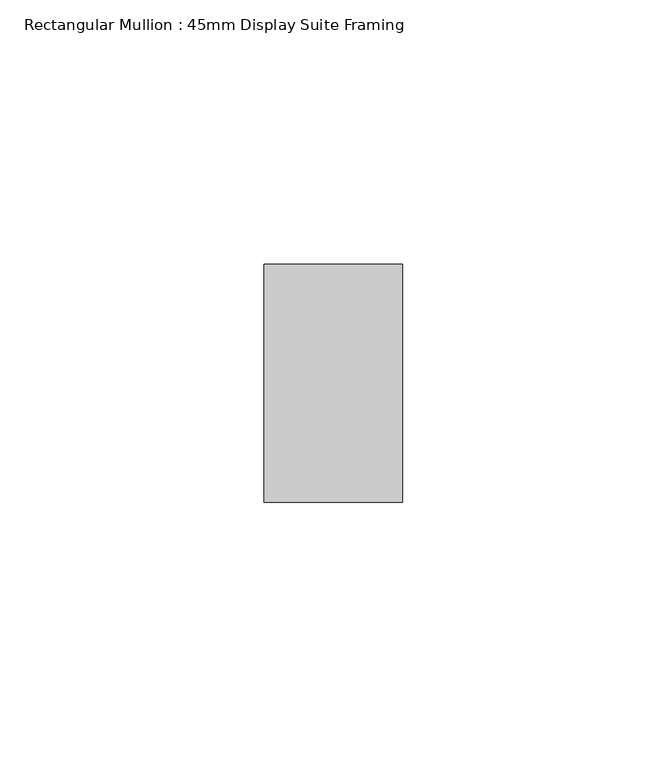
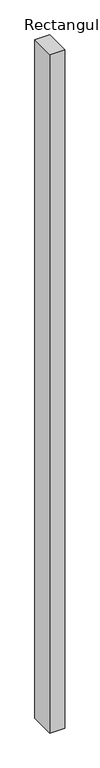
"""IFC4 building model written with IfcOpenShell, lengths in millimetres: member geometry, Rectangular Mullion : 45mm Display Suite Framing."""

from ifc_helpers import new_model, si_unit, frame, origin, place, context, project, spatial, polyline, outline, extrude, source, transform, mapped, element, save


def rectangular_mullion_45mm_display_suite_framing_cfbb9e50(model_context):
    return source(origin(), model_context, "Body", "SweptSolid", [
        extrude(outline(polyline([(13.1, 22.5), (13.1, -22.5), (-13.1, -22.5), (-13.1, 22.5), (13.1, 22.5)])), frame((0.0, 0.0, -1260.7), z_axis=(0.0, 0.0, 1.0), x_axis=(1.0, 0.0, 0.0)), (0.0, 0.0, 1.0), 1260.7),
    ])


if __name__ == "__main__":
    model = new_model("IFC4")
    model_context = context("Model", 3, world=origin())
    ifc_project = project(units=[si_unit("LENGTHUNIT", "METRE", prefix="MILLI")], contexts=[model_context])
    site = spatial("IfcSite", under=ifc_project)
    building = spatial("IfcBuilding", under=site)
    placement = place(None, origin())
    rectangular_mullion_45mm_display_suite_framing_shape = rectangular_mullion_45mm_display_suite_framing_cfbb9e50(model_context)
    element("IfcMember", 1, ObjectType="Rectangular Mullion : 45mm Display Suite Framing", at=placement, inside=building, context=model_context, shape_type="MappedRepresentation", body=[
        mapped(rectangular_mullion_45mm_display_suite_framing_shape, transform((0.0, 0.0, 0.0), x_axis=(1.0, 0.0, 0.0), y_axis=(0.0, 1.0, 0.0), z_axis=(0.0, 0.0, 1.0))),
    ])
    save(model, "model.ifc")
